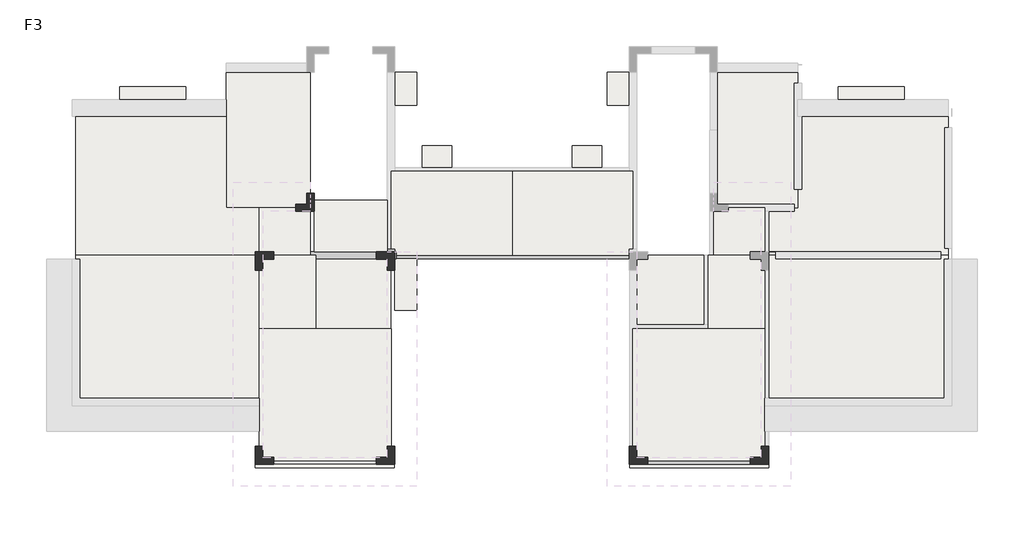
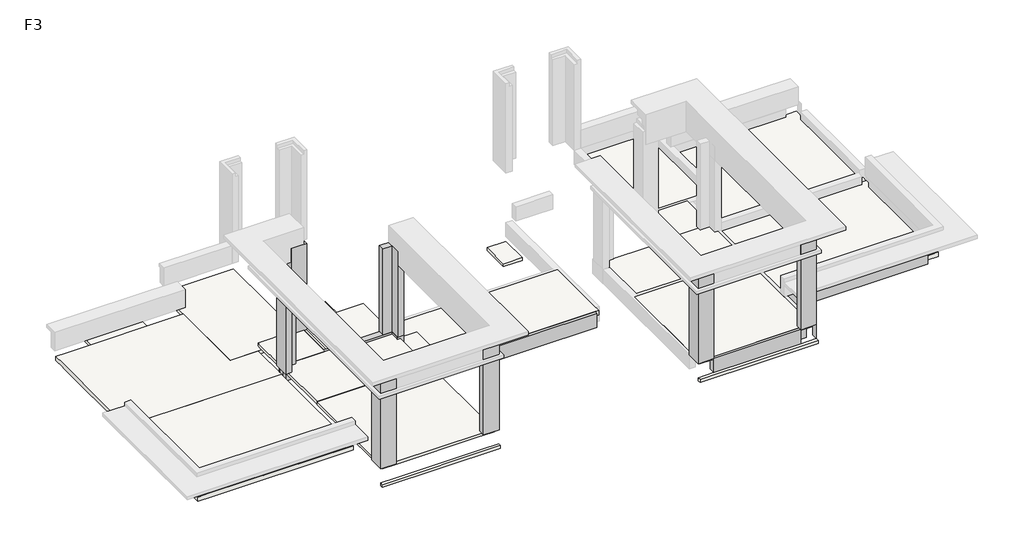
# One storey, part 1 of 2: 23 slabs, 7 columns, 5 beams.
"""IFC4 building model written with IfcOpenShell, lengths in millimetres."""

from ifc_helpers import new_model, si_unit, frame, origin, place, context, project, spatial, polyline, outline, extrude, faceted_brep, element, save

model = new_model("IFC4")

# Units and contexts
model_context = context("Model", 3, world=origin())
ifc_project = project(units=[si_unit("LENGTHUNIT", "METRE", prefix="MILLI")], contexts=[model_context])

# Site, building, storey
site = spatial("IfcSite", under=ifc_project)
building = spatial("IfcBuilding", under=site)
storey = spatial("IfcBuildingStorey", under=building, Name="F3", Elevation=7060.0)

# Beams
placement = place(None, origin())
element("IfcBeam", 1, at=placement, inside=storey, context=model_context, shape_type="Brep", body=[
    faceted_brep([(-7368.0210684, 3558.752785, 7060.0), (-7568.0210684, 3558.752785, 7060.0), (-7568.0210684, 3558.752785, 6980.0), (-7476.6079888, 3558.752785, 6980.0), (-7476.6079888, 3558.752785, 6880.0), (-7568.0210684, 3558.752785, 6880.0), (-7568.0210684, 3558.752785, 6580.0), (-7368.0210684, 3558.752785, 6580.0), (-7368.0210684, 3858.7452581, 7060.0), (-7568.0210684, 3858.7452581, 7060.0), (-7568.0210684, 3851.1929483, 7060.0), (-7568.0210684, 3858.7452581, 6980.0), (-7568.0210684, 3858.7452581, 6580.0), (-7368.0210684, 3858.7452581, 6580.0), (-7368.0210684, 3858.7452581, 6680.0), (-7368.0210684, 3858.7452581, 6780.0), (-7476.6079888, 3858.7452581, 6880.0), (-7568.0210684, 3858.7452581, 6880.0), (-7476.6079888, 3858.7452581, 6980.0)], [[[0, 1, 2, 3, 4, 5, 6, 7]], [[1, 0, 8, 9, 10]], [[2, 1, 10, 9, 11]], [[7, 6, 12, 13]], [[0, 7, 13, 14, 15, 8]], [[5, 4, 16, 17]], [[3, 2, 11, 18]], [[4, 3, 18, 16]], [[9, 8, 15, 14, 13, 12, 17, 16, 18, 11]], [[6, 5, 17, 12]]]),
    faceted_brep([(-7368.0210684, 4118.752785, 7060.0), (-7368.0210684, 4118.752785, 6580.0), (-7568.0210684, 4118.752785, 6580.0), (-7568.0210684, 4118.752785, 7060.0), (-7368.0210684, 4058.7452581, 7060.0), (-7568.0210684, 4058.7452581, 7060.0), (-7568.0210684, 4058.7452581, 6580.0), (-7368.0210684, 4058.7452581, 6580.0)], [[[0, 1, 2, 3]], [[4, 5, 6, 7]], [[0, 3, 5, 4]], [[3, 2, 6, 5]], [[2, 1, 7, 6]], [[1, 0, 4, 7]]]),
])
element("IfcBeam", 2, ObjectType="KL3 200 x 480 mm", at=placement, inside=storey, context=model_context, shape_type="Brep", body=[
    faceted_brep([(-7332.1847994, 4058.7452581, 7060.0), (-7332.1847994, 3858.7452581, 7060.0), (-7332.1847994, 3858.7452581, 6580.0), (-7332.1847994, 4058.7452581, 6580.0), (-7368.0210684, 4058.7452581, 7060.0), (-7568.0210684, 4058.7452581, 7060.0), (-11072.1847994, 4058.7452581, 7060.0), (-11072.1847994, 4051.1929485, 7060.0), (-10967.9488808, 4051.1929485, 7060.0), (-10967.9488808, 3858.7452581, 7060.0), (-7568.0210684, 3858.7452581, 7060.0), (-7368.0210684, 3858.7452581, 7060.0), (-10967.9488808, 3858.7452581, 6580.0), (-7568.0210684, 3858.7452581, 6580.0), (-7368.0210684, 3858.7452581, 6580.0), (-10967.9488808, 4051.1929485, 6580.0), (-11072.1847994, 4051.1929485, 6580.0), (-11072.1847994, 4058.7452581, 6580.0), (-7568.0210684, 4058.7452581, 6580.0), (-7368.0210684, 4058.7452581, 6580.0)], [[[0, 1, 2, 3]], [[1, 0, 4, 5, 6, 7, 8, 9, 10, 11]], [[2, 1, 11, 10, 9, 12, 13, 14]], [[3, 2, 14, 13, 12, 15, 16, 17, 18, 19]], [[0, 3, 19, 18, 17, 6, 5, 4]], [[6, 17, 16, 7]], [[15, 8, 7, 16]], [[8, 15, 12, 9]]]),
])
element("IfcBeam", 3, ObjectType="KL3 200 x 480 mm", at=placement, inside=storey, context=model_context, shape_type="Brep", body=[
    faceted_brep([(-980.685891, 3858.7452581, 5380.0), (-980.685891, 3858.7452581, 4900.0), (-980.685891, 4058.7452581, 4900.0), (-980.685891, 4058.7452581, 5230.0), (-980.685891, 3951.187898, 5230.0), (-980.685891, 3951.187898, 5380.0), (-7355.2118706, 4058.7452581, 4900.0), (-7355.2118706, 3858.7452581, 4900.0), (-7355.2118706, 3858.7452581, 5380.0), (-7355.2118706, 3951.187898, 5380.0), (-7355.2118706, 3951.187898, 5230.0), (-7355.2118706, 4058.7452581, 5230.0), (-4162.9479291, 3951.187898, 5380.0), (-4172.9498324, 3951.187898, 5380.0), (-4172.9498324, 3951.187898, 5230.0), (-4162.9479291, 3951.187898, 5230.0)], [[[0, 1, 2, 3, 4, 5]], [[6, 7, 8, 9, 10, 11]], [[8, 0, 5, 12, 13, 9]], [[1, 0, 8, 7]], [[2, 1, 7, 6]], [[2, 6, 11, 3]], [[11, 10, 14, 15, 4, 3]], [[4, 15, 14, 10, 9, 13, 12, 5]]]),
])
element("IfcBeam", 4, ObjectType="KL4 200 x 480 mm", at=placement, inside=storey, context=model_context, shape_type="Brep", body=[
    faceted_brep([(-459.2899804, -1648.0607162, 7060.0), (-459.2899804, -1741.2496913, 7060.0), (2332.0511192, -1741.2496913, 7060.0), (2332.0511192, -1648.0607162, 7060.0), (-459.2899804, -1741.2496913, 6580.0), (2332.0511192, -1741.2496913, 6580.0), (-459.2899804, -1541.2496913, 6580.0), (2632.0511192, -1541.2496913, 6580.0), (2632.0511192, -1548.8070515, 6580.0), (2332.0511192, -1548.8070515, 6580.0), (-459.2899804, -1541.2496913, 6960.0), (2632.0511192, -1541.2496913, 6960.0), (-459.2899804, -1648.0607162, 6960.0), (2332.0511192, -1648.0607162, 6960.0), (2332.0511192, -1548.8070515, 6960.0), (2632.0511192, -1548.8070515, 6960.0)], [[[0, 1, 2, 3]], [[1, 4, 5, 2]], [[4, 6, 7, 8, 9, 5]], [[6, 10, 11, 7]], [[10, 12, 13, 14, 15, 11]], [[12, 0, 3, 13]], [[6, 4, 1, 0, 12, 10]], [[15, 8, 7, 11]], [[8, 15, 14, 9]], [[9, 14, 13, 3, 2, 5]]]),
    faceted_brep([(2836.2870379, -1541.2496913, 7060.0), (2836.2870379, -1741.2496913, 7060.0), (2836.2870379, -1741.2496913, 6580.0), (2836.2870379, -1541.2496913, 6580.0), (2832.0511192, -1741.2496913, 7060.0), (2832.0511192, -1541.2496913, 7060.0), (2832.0511192, -1541.2496913, 6580.0), (2832.0511192, -1741.2496913, 6580.0)], [[[0, 1, 2, 3]], [[4, 5, 6, 7]], [[1, 0, 5, 4]], [[2, 1, 4, 7]], [[3, 2, 7, 6]], [[0, 3, 6, 5]]]),
])
element("IfcBeam", 5, ObjectType="WKL6 200 x 480 mm", at=placement, inside=storey, context=model_context, shape_type="SweptSolid", body=[
    extrude(outline(polyline([(-148.812102, 7060.0), (51.187898, 7060.0), (51.187898, 6780.0), (-48.812102, 6780.0), (-48.812102, 6640.0), (51.187898, 6640.0), (51.187898, 6580.0), (-148.812102, 6580.0), (-148.812102, 7060.0)])), frame((2836.2870379, 0.0, 0.0), z_axis=(1.0, 0.0, 0.0), x_axis=(0.0, 1.0, 0.0)), (0.0, 0.0, 1.0), 4495.7640813),
])

# Columns
element("IfcColumn", 6, ObjectType="KZ-4", at=placement, inside=storey, context=model_context, shape_type="Brep", body=[
    faceted_brep([(-7368.0210684, 3551.1929483, 7060.0), (-7568.0210684, 3551.1929483, 7060.0), (-7568.0210684, 3558.752785, 7060.0), (-7568.0210684, 3851.1929483, 7060.0), (-7868.0210684, 3851.1929483, 7060.0), (-7868.0210684, 4051.1929483, 7060.0), (-7368.0210684, 4051.1929483, 7060.0), (-7368.0210684, 3858.7452581, 7060.0), (-7368.0210684, 3558.752785, 7060.0), (-7368.0210684, 3551.1929483, 10100.0), (-7467.9488808, 3551.1929483, 10100.0), (-7467.9488808, 3551.1929483, 9980.0), (-7568.0210684, 3551.1929483, 9980.0), (-7568.0210684, 3851.1929483, 9980.0), (-7868.0210684, 3851.1929483, 9980.0), (-7868.0210684, 4051.1929483, 9980.0), (-7468.0210684, 4051.1929483, 9980.0), (-7468.0210684, 4051.1929483, 10100.0), (-7368.0210684, 4051.1929483, 10100.0), (-7468.0066302, 3951.1878896, 10100.0), (-7468.0066302, 3951.1878896, 9980.0)], [[[0, 1, 2, 3, 4, 5, 6, 7, 8]], [[1, 0, 9, 10, 11, 12]], [[3, 2, 1, 12, 13]], [[4, 3, 13, 14]], [[5, 4, 14, 15]], [[6, 5, 15, 16, 17, 18]], [[0, 8, 7, 6, 18, 9]], [[9, 18, 17, 19, 10]], [[16, 15, 14, 13, 12, 11, 20]], [[16, 20, 11, 10, 19, 17]]]),
])
element("IfcColumn", 7, ObjectType="KZ-4", at=placement, inside=storey, context=model_context, shape_type="Brep", body=[
    faceted_brep([(-7867.9488808, -1748.812102, 7060.0), (-7867.9488808, -1548.812102, 7060.0), (-7567.9488808, -1548.812102, 7060.0), (-7567.9488808, -1248.812102, 7060.0), (-7367.9488808, -1248.812102, 7060.0), (-7367.9488808, -1748.812102, 7060.0), (-7867.9488808, -1748.812102, 10100.0), (-7867.9488808, -1648.812102, 10100.0), (-7867.9488808, -1648.812102, 9980.0), (-7867.9488808, -1548.812102, 9980.0), (-7567.9488808, -1548.812102, 9980.0), (-7567.9488808, -1248.812102, 9980.0), (-7467.9488808, -1248.812102, 9980.0), (-7467.9488808, -1248.812102, 10100.0), (-7367.9488808, -1248.812102, 10100.0), (-7367.9488808, -1748.812102, 10100.0), (-7467.9488808, -1648.812102, 10100.0), (-7467.9488808, -1648.812102, 9980.0)], [[[0, 1, 2, 3, 4, 5]], [[1, 0, 6, 7, 8, 9]], [[2, 1, 9, 10]], [[3, 2, 10, 11]], [[4, 3, 11, 12, 13, 14]], [[5, 4, 14, 15]], [[0, 5, 15, 6]], [[15, 14, 13, 16, 7, 6]], [[8, 17, 12, 11, 10, 9]], [[16, 17, 8, 7]], [[17, 16, 13, 12]]]),
])
element("IfcColumn", 8, ObjectType="KZ-4", at=placement, inside=storey, context=model_context, shape_type="Brep", body=[
    faceted_brep([(-10067.9488808, 5151.187898, 7060.0), (-10067.9488808, 5351.187898, 7060.0), (-9767.9488808, 5351.187898, 7060.0), (-9767.9488808, 5651.187898, 7060.0), (-9567.9488808, 5651.187898, 7060.0), (-9567.9488808, 5151.187898, 7060.0), (-10067.9488808, 5151.187898, 9980.0), (-10067.9488808, 5251.187898, 9980.0), (-10067.9488808, 5251.187898, 10100.0), (-10067.9488808, 5351.187898, 10100.0), (-9767.9488808, 5351.187898, 10100.0), (-9767.9488808, 5651.187898, 10100.0), (-9767.9488808, 5651.187898, 9620.0), (-9667.9488808, 5651.187898, 10100.0), (-9667.9488808, 5651.187898, 9980.0), (-9567.9488808, 5651.187898, 9980.0), (-9567.9488808, 5651.187898, 9620.0), (-9567.9488808, 5151.187898, 9980.0), (-9567.9488808, 5151.187898, 9620.0), (-9767.9488808, 5151.187898, 9980.0), (-9667.9488808, 5251.187898, 10100.0), (-9667.9488808, 5251.187898, 9980.0)], [[[0, 1, 2, 3, 4, 5]], [[1, 0, 6, 7, 8, 9]], [[2, 1, 9, 10]], [[3, 2, 10, 11, 12]], [[4, 3, 12, 11, 13, 14, 15, 16]], [[5, 4, 16, 15, 17, 18]], [[0, 5, 18, 17, 19, 6]], [[10, 9, 8, 20, 13, 11]], [[14, 21, 7, 6, 19, 17, 15]], [[20, 21, 14, 13]], [[21, 20, 8, 7]]]),
])
element("IfcColumn", 9, ObjectType="KZ-4", at=placement, inside=storey, context=model_context, shape_type="Brep", body=[
    faceted_brep([(-10667.9488808, 4050.8675969, 7060.0), (-10667.9488808, 3850.8675969, 7060.0), (-10967.9488808, 3850.8675969, 7060.0), (-10967.9488808, 3550.8675969, 7060.0), (-11167.9488808, 3550.8675969, 7060.0), (-11167.9488808, 4050.8675969, 7060.0), (-10667.9488808, 4050.8675969, 9980.0), (-10667.9488808, 3850.8675969, 9980.0), (-10967.9488808, 3850.8675969, 9980.0), (-10967.9488808, 3550.8675969, 9980.0), (-11067.9488808, 3550.8675969, 9980.0), (-11067.9488808, 3550.8675969, 10100.0), (-11167.9488808, 3550.8675969, 10100.0), (-11167.9488808, 4050.8675969, 10100.0), (-11067.9488808, 4050.8675969, 10100.0), (-11067.9488808, 4050.8675969, 9980.0), (-11067.9488808, 3951.187898, 10100.0), (-11067.9488808, 3951.187898, 9980.0)], [[[0, 1, 2, 3, 4, 5]], [[1, 0, 6, 7]], [[2, 1, 7, 8]], [[3, 2, 8, 9]], [[4, 3, 9, 10, 11, 12]], [[5, 4, 12, 13]], [[0, 5, 13, 14, 15, 6]], [[13, 12, 11, 16, 14]], [[10, 9, 8, 7, 6, 15, 17]], [[10, 17, 15, 14, 16, 11]]]),
])
element("IfcColumn", 10, ObjectType="KZ-4", at=placement, inside=storey, context=model_context, shape_type="Brep", body=[
    faceted_brep([(-11167.9488808, -1248.8070515, 7060.0), (-10967.9488808, -1248.8070515, 7060.0), (-10967.9488808, -1548.8070515, 7060.0), (-10667.9488808, -1548.8070515, 7060.0), (-10667.9488808, -1748.8070515, 7060.0), (-11167.9488808, -1748.8070515, 7060.0), (-11167.9488808, -1248.8070515, 10100.0), (-11067.9488808, -1248.8070515, 10100.0), (-11067.9488808, -1248.8070515, 9980.0), (-10967.9488808, -1248.8070515, 9980.0), (-10967.9488808, -1548.8070515, 9980.0), (-10667.9488808, -1548.8070515, 9980.0), (-10667.9488808, -1648.812102, 9980.0), (-10667.9488808, -1648.812102, 10100.0), (-10667.9488808, -1748.8070515, 10100.0), (-11167.9488808, -1748.8070515, 10100.0), (-11067.9488808, -1648.812102, 10100.0), (-11067.9488808, -1648.812102, 9980.0)], [[[0, 1, 2, 3, 4, 5]], [[1, 0, 6, 7, 8, 9]], [[2, 1, 9, 10]], [[3, 2, 10, 11]], [[4, 3, 11, 12, 13, 14]], [[5, 4, 14, 15]], [[0, 5, 15, 6]], [[15, 14, 13, 16, 7, 6]], [[8, 17, 12, 11, 10, 9]], [[16, 17, 8, 7]], [[17, 16, 13, 12]]]),
])
element("IfcColumn", 11, ObjectType="KZ-4", at=placement, inside=storey, context=model_context, shape_type="Brep", body=[
    faceted_brep([(-467.9488808, -1548.812102, 7060.0), (-467.9488808, -1748.812102, 7060.0), (-967.9488808, -1748.812102, 7060.0), (-967.9488808, -1248.812102, 7060.0), (-767.9488808, -1248.812102, 7060.0), (-767.9488808, -1548.812102, 7060.0), (-467.9488808, -1548.812102, 9980.0), (-467.9488808, -1648.812102, 9980.0), (-467.9488808, -1648.812102, 10100.0), (-467.9488808, -1748.812102, 10100.0), (-767.9488808, -1548.812102, 9980.0), (-767.9488808, -1248.812102, 9980.0), (-967.9488808, -1248.812102, 10100.0), (-867.9488808, -1248.812102, 10100.0), (-867.9488808, -1248.812102, 9980.0), (-967.9488808, -1748.812102, 10100.0), (-867.9488808, -1648.812102, 10100.0), (-867.9488808, -1648.812102, 9980.0)], [[[0, 1, 2, 3, 4, 5]], [[1, 0, 6, 7, 8, 9]], [[0, 5, 10, 6]], [[5, 4, 11, 10]], [[4, 3, 12, 13, 14, 11]], [[3, 2, 15, 12]], [[2, 1, 9, 15]], [[12, 15, 9, 8, 16, 13]], [[14, 17, 7, 6, 10, 11]], [[17, 16, 8, 7]], [[16, 17, 14, 13]]]),
])
element("IfcColumn", 12, ObjectType="KZ-4", at=placement, inside=storey, context=model_context, shape_type="Brep", body=[
    faceted_brep([(2632.0511192, -1248.8070515, 7060.0), (2832.0511192, -1248.8070515, 7060.0), (2832.0511192, -1748.8070515, 7060.0), (2332.0511192, -1748.8070515, 7060.0), (2332.0511192, -1548.8070515, 7060.0), (2632.0511192, -1548.8070515, 7060.0), (2632.0511192, -1248.8070515, 9980.0), (2732.0511192, -1248.8070515, 9980.0), (2732.0511192, -1248.8070515, 10100.0), (2832.0511192, -1248.8070515, 10100.0), (2632.0511192, -1548.8070515, 9980.0), (2332.0511192, -1548.8070515, 9980.0), (2332.0511192, -1748.8070515, 10100.0), (2332.0511192, -1648.812102, 10100.0), (2332.0511192, -1648.812102, 9980.0), (2832.0511192, -1748.8070515, 10100.0), (2732.0511192, -1648.812102, 10100.0), (2732.0511192, -1648.812102, 9980.0)], [[[0, 1, 2, 3, 4, 5]], [[1, 0, 6, 7, 8, 9]], [[0, 5, 10, 6]], [[5, 4, 11, 10]], [[4, 3, 12, 13, 14, 11]], [[3, 2, 15, 12]], [[2, 1, 9, 15]], [[12, 15, 9, 8, 16, 13]], [[14, 17, 7, 6, 10, 11]], [[17, 16, 8, 7]], [[16, 17, 14, 13]]]),
])

# Slabs
element("IfcSlab", 13, ObjectType="B-100", at=placement, inside=storey, context=model_context, shape_type="SweptSolid", body=[
    extrude(outline(polyline([(-7368.0210684, 2451.1403074), (-7368.0210684, 3858.7452581), (-6767.9168155, 3858.7452581), (-6767.9168155, 2451.1403074), (-7368.0210684, 2451.1403074)])), frame((0.0, 0.0, 6680.0), z_axis=(0.0, 0.0, 1.0), x_axis=(1.0, 0.0, 0.0)), (0.0, 0.0, 1.0), 100.0),
])
element("IfcSlab", 14, ObjectType="B-100", at=placement, inside=storey, context=model_context, shape_type="Brep", body=[
    faceted_brep([(-7376.6077811, -1741.2496913, 6480.0), (-7376.6077811, -1748.812102, 6480.0), (-7376.6077811, -1841.2496913, 6480.0), (-11172.1847994, -1841.2496913, 6480.0), (-11172.1847994, -1741.2496913, 6480.0), (-11167.9488808, -1741.2496913, 6480.0), (-10667.9488808, -1741.2496913, 6480.0), (-7867.9488808, -1741.2496913, 6480.0), (-7376.6077811, -1741.2496913, 6580.0), (-7867.9488808, -1741.2496913, 6580.0), (-10667.9488808, -1741.2496913, 6580.0), (-11167.9488808, -1741.2496913, 6580.0), (-11172.1847994, -1741.2496913, 6580.0), (-11172.1847994, -1841.2496913, 6580.0), (-7376.6077811, -1841.2496913, 6580.0), (-7376.6077811, -1748.812102, 6580.0)], [[[0, 1, 2, 3, 4, 5, 6, 7]], [[8, 9, 10, 11, 12, 13, 14, 15]], [[2, 1, 0, 8, 15, 14]], [[3, 2, 14, 13]], [[4, 3, 13, 12]], [[0, 7, 6, 5, 4, 12, 11, 10, 9, 8]]]),
])
element("IfcSlab", 15, ObjectType="B-100", at=placement, inside=storey, context=model_context, shape_type="SweptSolid", body=[
    extrude(outline(polyline([(-13068.789805, 8551.1879302), (-13068.789805, 7951.1927566), (-14868.7898049, 7951.1927566), (-14868.7898049, 8551.1879302), (-13068.789805, 8551.1879302)])), frame((0.0, 0.0, 6580.0), z_axis=(0.0, 0.0, 1.0), x_axis=(1.0, 0.0, 0.0)), (0.0, 0.0, 1.0), 100.0),
])
element("IfcSlab", 16, ObjectType="B-100", at=placement, inside=storey, context=model_context, shape_type="Brep", body=[
    faceted_brep([(-7476.6079888, 3951.187898, 6880.0), (-7476.6079888, 3858.7452581, 6880.0), (-7476.6079888, 3558.752785, 6880.0), (-7476.6079888, 3538.4929483, 6880.0), (-7476.6079888, 1962.0882008, 6880.0), (-7576.6079888, 1962.0882008, 6880.0), (-9517.9507841, 1962.0882008, 6880.0), (-9517.9507841, 2062.0882008, 6880.0), (-9517.9507841, 3858.7452581, 6880.0), (-9517.9507841, 3951.187898, 6880.0), (-7476.6079888, 3951.187898, 6980.0), (-9517.9507841, 3951.187898, 6980.0), (-9517.9507841, 3858.7452581, 6980.0), (-9517.9507841, 2062.0882008, 6980.0), (-9517.9507841, 1962.0882008, 6980.0), (-7576.6079888, 1962.0882008, 6980.0), (-7476.6079888, 1962.0882008, 6980.0), (-7476.6079888, 3538.4929483, 6980.0), (-7476.6079888, 3558.752785, 6980.0), (-7476.6079888, 3858.7452581, 6980.0), (-9517.9507841, 1962.0882008, 6960.0)], [[[0, 1, 2, 3, 4, 5, 6, 7, 8, 9]], [[10, 11, 12, 13, 14, 15, 16, 17, 18, 19]], [[4, 3, 2, 1, 0, 10, 19, 18, 17, 16]], [[6, 5, 4, 16, 15, 14, 20]], [[9, 8, 7, 6, 20, 14, 13, 12, 11]], [[0, 9, 11, 10]]]),
])
element("IfcSlab", 17, ObjectType="B-100", at=placement, inside=storey, context=model_context, shape_type="Brep", body=[
    faceted_brep([(-9667.948881, 5258.7503099, 6960.0), (-9667.948881, 5151.187898, 6960.0), (-9667.948881, 4058.7452581, 6960.0), (-9667.948881, 3958.7452581, 6960.0), (-11067.9863851, 3958.7452581, 6960.0), (-11067.9863851, 4051.1929485, 6960.0), (-11067.9863851, 5151.1978071, 6960.0), (-11067.9863851, 5258.7503099, 6960.0), (-10067.9488808, 5258.7503099, 6960.0), (-9667.948881, 5258.7503099, 7060.0), (-10067.9488808, 5258.7503099, 7060.0), (-11067.9863851, 5258.7503099, 7060.0), (-11067.9863851, 5151.1978071, 7060.0), (-11067.9863851, 4051.1929485, 7060.0), (-11067.9863851, 3958.7452581, 7060.0), (-9667.948881, 3958.7452581, 7060.0), (-9667.948881, 4058.7452581, 7060.0), (-9667.948881, 5151.187898, 7060.0)], [[[0, 1, 2, 3, 4, 5, 6, 7, 8]], [[9, 10, 11, 12, 13, 14, 15, 16, 17]], [[3, 2, 1, 0, 9, 17, 16, 15]], [[4, 3, 15, 14]], [[7, 6, 5, 4, 14, 13, 12, 11]], [[0, 8, 7, 11, 10, 9]]]),
])
element("IfcSlab", 18, ObjectType="B-100", at=placement, inside=storey, context=model_context, shape_type="Brep", body=[
    faceted_brep([(-9517.9507841, 3958.7452581, 6960.0), (-9517.9507841, 3858.7452581, 6960.0), (-9517.9507841, 2062.0882008, 6960.0), (-9517.9507841, 1962.0882008, 6960.0), (-10972.1847994, 1962.0882008, 6960.0), (-11067.9863851, 1962.0882008, 6960.0), (-11067.9863851, 3651.1929485, 6960.0), (-11067.9863851, 3958.7452581, 6960.0), (-9517.9507841, 3958.7452581, 7060.0), (-11067.9863851, 3958.7452581, 7060.0), (-11067.9863851, 3651.1929485, 7060.0), (-11067.9863851, 1962.0882008, 7060.0), (-10972.1847994, 1962.0882008, 7060.0), (-9517.9507841, 1962.0882008, 7060.0), (-9517.9507841, 2062.0882008, 7060.0), (-9517.9507841, 3858.7452581, 7060.0), (-9517.9507841, 1962.0882008, 6980.0)], [[[0, 1, 2, 3, 4, 5, 6, 7]], [[8, 9, 10, 11, 12, 13, 14, 15]], [[3, 2, 1, 0, 8, 15, 14, 13, 16]], [[5, 4, 3, 16, 13, 12, 11]], [[7, 6, 5, 11, 10, 9]], [[0, 7, 9, 8]]]),
])
element("IfcSlab", 19, ObjectType="B-100", at=placement, inside=storey, context=model_context, shape_type="Brep", body=[
    faceted_brep([(-7468.0210684, 1954.966578, 6960.0), (-7468.0210684, -1241.2496913, 6960.0), (-7468.0210684, -1248.812102, 6960.0), (-7468.0210684, -1648.0607162, 6960.0), (-7867.9488808, -1648.0607162, 6960.0), (-7876.6077811, -1648.0607162, 6960.0), (-10667.9488808, -1648.0607162, 6960.0), (-11068.0854822, -1648.0607162, 6960.0), (-11068.0854822, -1248.8070515, 6960.0), (-11068.0854822, -1236.1070515, 6960.0), (-11068.0854822, 1954.966578, 6960.0), (-10972.1847994, 1954.966578, 6960.0), (-7576.6079888, 1954.966578, 6960.0), (-7468.0210684, 1954.966578, 7060.0), (-7576.6079888, 1954.966578, 7060.0), (-10972.1847994, 1954.966578, 7060.0), (-11068.0854822, 1954.966578, 7060.0), (-11068.0854822, -1236.1070515, 7060.0), (-11068.0854822, -1248.8070515, 7060.0), (-11068.0854822, -1648.0607162, 7060.0), (-10667.9488808, -1648.0607162, 7060.0), (-7876.6077811, -1648.0607162, 7060.0), (-7867.9488808, -1648.0607162, 7060.0), (-7468.0210684, -1648.0607162, 7060.0), (-7468.0210684, -1248.812102, 7060.0), (-7468.0210684, -1241.2496913, 7060.0)], [[[0, 1, 2, 3, 4, 5, 6, 7, 8, 9, 10, 11, 12]], [[13, 14, 15, 16, 17, 18, 19, 20, 21, 22, 23, 24, 25]], [[3, 2, 1, 0, 13, 25, 24, 23]], [[7, 6, 5, 4, 3, 23, 22, 21, 20, 19]], [[10, 9, 8, 7, 19, 18, 17, 16]], [[0, 12, 11, 10, 16, 15, 14, 13]]]),
])
element("IfcSlab", 20, ObjectType="B-100", at=placement, inside=storey, context=model_context, shape_type="Brep", body=[
    faceted_brep([(-959.2899804, -1741.2496913, 6480.0), (-467.9488808, -1741.2496913, 6480.0), (2332.0511192, -1741.2496913, 6480.0), (2832.0511192, -1741.2496913, 6480.0), (2836.2870379, -1741.2496913, 6480.0), (2836.2870379, -1841.2496913, 6480.0), (-959.2899804, -1841.2496913, 6480.0), (-959.2899804, -1748.812102, 6480.0), (-959.2899804, -1741.2496913, 6580.0), (-959.2899804, -1748.812102, 6580.0), (-959.2899804, -1841.2496913, 6580.0), (2836.2870379, -1841.2496913, 6580.0), (2836.2870379, -1741.2496913, 6580.0), (2832.0511192, -1741.2496913, 6580.0), (2332.0511192, -1741.2496913, 6580.0), (-467.9488808, -1741.2496913, 6580.0)], [[[0, 1, 2, 3, 4, 5, 6, 7]], [[8, 9, 10, 11, 12, 13, 14, 15]], [[0, 7, 6, 10, 9, 8]], [[6, 5, 11, 10]], [[5, 4, 12, 11]], [[4, 3, 2, 1, 0, 8, 15, 14, 13, 12]]]),
])
element("IfcSlab", 21, ObjectType="B-100", at=placement, inside=storey, context=model_context, shape_type="SweptSolid", body=[
    extrude(outline(polyline([(4732.8920434, 8551.1879302), (6532.8920433, 8551.1879302), (6532.8920433, 7951.1927566), (4732.8920434, 7951.1927566), (4732.8920434, 8551.1879302)])), frame((0.0, 0.0, 6580.0), z_axis=(0.0, 0.0, 1.0), x_axis=(1.0, 0.0, 0.0)), (0.0, 0.0, 1.0), 100.0),
])
element("IfcSlab", 22, ObjectType="B-100", at=placement, inside=storey, context=model_context, shape_type="Brep", body=[
    faceted_brep([(-859.2897728, 3951.187898, 6880.0), (-767.8766931, 3951.187898, 6880.0), (1082.0530225, 3951.187898, 6880.0), (1182.0530225, 3951.187898, 6880.0), (1182.0530225, 2062.0882008, 6880.0), (1182.0530225, 1962.0882008, 6880.0), (-759.2897728, 1962.0882008, 6880.0), (-859.2897728, 1962.0882008, 6880.0), (-859.2897728, 3538.4929483, 6880.0), (-859.2897728, 3558.752785, 6880.0), (-859.2897728, 3951.187898, 6980.0), (-859.2897728, 3558.752785, 6980.0), (-859.2897728, 3538.4929483, 6980.0), (-859.2897728, 1962.0882008, 6980.0), (-759.2897728, 1962.0882008, 6980.0), (1182.0530225, 1962.0882008, 6980.0), (1182.0530225, 2062.0882008, 6980.0), (1182.0530225, 3951.187898, 6980.0), (1082.0530225, 3951.187898, 6980.0), (-767.8766931, 3951.187898, 6980.0), (1182.0530225, 1962.0882008, 6960.0), (1182.0530225, 3951.187898, 6960.0)], [[[0, 1, 2, 3, 4, 5, 6, 7, 8, 9]], [[10, 11, 12, 13, 14, 15, 16, 17, 18, 19]], [[0, 9, 8, 7, 13, 12, 11, 10]], [[7, 6, 5, 20, 15, 14, 13]], [[5, 4, 3, 21, 17, 16, 15, 20]], [[3, 2, 1, 0, 10, 19, 18, 17, 21]]]),
])
element("IfcSlab", 23, ObjectType="B-100", at=placement, inside=storey, context=model_context, shape_type="Brep", body=[
    faceted_brep([(1332.0511194, 5258.7503099, 6960.0), (1732.0511192, 5258.7503099, 6960.0), (2732.0886236, 5258.7503099, 6960.0), (2732.0886236, 5151.1978071, 6960.0), (2732.0886236, 4051.1929485, 6960.0), (2732.0886236, 3958.7452581, 6960.0), (1436.1661028, 3958.7452581, 6960.0), (1432.0511194, 3958.7452581, 6960.0), (1332.0511194, 3958.7452581, 6960.0), (1332.0511194, 5151.187898, 6960.0), (1332.0511194, 5258.7503099, 7060.0), (1332.0511194, 5151.187898, 7060.0), (1332.0511194, 3958.7452581, 7060.0), (2732.0886236, 3958.7452581, 7060.0), (2732.0886236, 4051.1929485, 7060.0), (2732.0886236, 5151.1978071, 7060.0), (2732.0886236, 5258.7503099, 7060.0), (1732.0511192, 5258.7503099, 7060.0)], [[[0, 1, 2, 3, 4, 5, 6, 7, 8, 9]], [[10, 11, 12, 13, 14, 15, 16, 17]], [[0, 9, 8, 12, 11, 10]], [[8, 7, 6, 5, 13, 12]], [[5, 4, 3, 2, 16, 15, 14, 13]], [[2, 1, 0, 10, 17, 16]]]),
])
element("IfcSlab", 24, ObjectType="B-100", at=placement, inside=storey, context=model_context, shape_type="Brep", body=[
    faceted_brep([(1182.0530225, 3958.7452581, 6960.0), (1282.0530225, 3958.7452581, 6960.0), (2732.0886236, 3958.7452581, 6960.0), (2732.0886236, 3651.1929485, 6960.0), (2732.0886236, 1962.0882008, 6960.0), (2636.2870379, 1962.0882008, 6960.0), (1182.0530225, 1962.0882008, 6960.0), (1182.0530225, 2062.0882008, 6960.0), (1182.0530225, 3951.187898, 6960.0), (1182.0530225, 3958.7452581, 7060.0), (1182.0530225, 2062.0882008, 7060.0), (1182.0530225, 1962.0882008, 7060.0), (2636.2870379, 1962.0882008, 7060.0), (2732.0886236, 1962.0882008, 7060.0), (2732.0886236, 3651.1929485, 7060.0), (2732.0886236, 3958.7452581, 7060.0), (1332.0511194, 3958.7452581, 7060.0), (1232.0511194, 3958.7452581, 7060.0), (1182.0530225, 1962.0882008, 6980.0)], [[[0, 1, 2, 3, 4, 5, 6, 7, 8]], [[9, 10, 11, 12, 13, 14, 15, 16, 17]], [[0, 8, 7, 6, 18, 11, 10, 9]], [[6, 5, 4, 13, 12, 11, 18]], [[4, 3, 2, 15, 14, 13]], [[2, 1, 0, 9, 17, 16, 15]]]),
])
element("IfcSlab", 25, ObjectType="B-100", at=placement, inside=storey, context=model_context, shape_type="Brep", body=[
    faceted_brep([(-867.8766931, 1954.966578, 6960.0), (-759.2897728, 1954.966578, 6960.0), (2636.2870379, 1954.966578, 6960.0), (2732.1877207, 1954.966578, 6960.0), (2732.1877207, -1236.1070515, 6960.0), (2732.1877207, -1248.8070515, 6960.0), (2732.1877207, -1648.0607162, 6960.0), (2332.0511192, -1648.0607162, 6960.0), (-459.2899804, -1648.0607162, 6960.0), (-467.9488808, -1648.0607162, 6960.0), (-867.8766931, -1648.0607162, 6960.0), (-867.8766931, -1248.812102, 6960.0), (-867.8766931, -1241.2496913, 6960.0), (-867.8766931, 1954.966578, 7060.0), (-867.8766931, -1241.2496913, 7060.0), (-867.8766931, -1248.812102, 7060.0), (-867.8766931, -1648.0607162, 7060.0), (-467.9488808, -1648.0607162, 7060.0), (-459.2899804, -1648.0607162, 7060.0), (2332.0511192, -1648.0607162, 7060.0), (2732.1877207, -1648.0607162, 7060.0), (2732.1877207, -1248.8070515, 7060.0), (2732.1877207, -1236.1070515, 7060.0), (2732.1877207, 1954.966578, 7060.0), (2636.2870379, 1954.966578, 7060.0), (-759.2897728, 1954.966578, 7060.0)], [[[0, 1, 2, 3, 4, 5, 6, 7, 8, 9, 10, 11, 12]], [[13, 14, 15, 16, 17, 18, 19, 20, 21, 22, 23, 24, 25]], [[0, 12, 11, 10, 16, 15, 14, 13]], [[10, 9, 8, 7, 6, 20, 19, 18, 17, 16]], [[6, 5, 4, 3, 23, 22, 21, 20]], [[3, 2, 1, 0, 13, 25, 24, 23]]]),
])
element("IfcSlab", 26, ObjectType="B-100", at=placement, inside=storey, context=model_context, shape_type="SweptSolid", body=[
    extrude(outline(polyline([(-9567.948881, 5451.187898), (-7576.6077811, 5451.187898), (-7576.6077811, 4058.7452581), (-9567.948881, 4058.7452581), (-9567.948881, 5451.187898)])), frame((0.0, 0.0, 6960.0), z_axis=(0.0, 0.0, 1.0), x_axis=(1.0, 0.0, 0.0)), (0.0, 0.0, 1.0), 100.0),
])
element("IfcSlab", 27, ObjectType="B-100 2", at=placement, inside=storey, context=model_context, shape_type="SweptSolid", body=[
    extrude(outline(polyline([(-5817.9486731, 6951.1353494), (-5817.9486731, 6351.187898), (-6617.9732022, 6351.187898), (-6617.9732022, 6951.1353494), (-5817.9486731, 6951.1353494)])), frame((0.0, 0.0, 4630.0), z_axis=(0.0, 0.0, 1.0), x_axis=(1.0, 0.0, 0.0)), (0.0, 0.0, 1.0), 100.0),
    extrude(outline(polyline([(-1717.9245594, 6951.1353494), (-1717.9245594, 6351.187898), (-2517.9490884, 6351.187898), (-2517.9490884, 6951.1353494), (-1717.9245594, 6951.1353494)])), frame((0.0, 0.0, 4630.0), z_axis=(0.0, 0.0, 1.0), x_axis=(1.0, 0.0, 0.0)), (0.0, 0.0, 1.0), 100.0),
    extrude(outline(polyline([(-6767.8643019, 8951.187898), (-6767.8643019, 8051.1353589), (-7368.0210684, 8051.1353589), (-7368.0210684, 8951.187898), (-6767.8643019, 8951.187898)])), frame((0.0, 0.0, 4630.0), z_axis=(0.0, 0.0, 1.0), x_axis=(1.0, 0.0, 0.0)), (0.0, 0.0, 1.0), 100.0),
    extrude(outline(polyline([(-967.8647173, 8951.1353589), (-967.8647173, 8051.1353589), (-1567.8647173, 8051.1353589), (-1567.8647173, 8951.1353589), (-967.8647173, 8951.1353589)])), frame((0.0, 0.0, 4630.0), z_axis=(0.0, 0.0, 1.0), x_axis=(1.0, 0.0, 0.0)), (0.0, 0.0, 1.0), 100.0),
])
element("IfcSlab", 28, ObjectType="B-120", at=placement, inside=storey, context=model_context, shape_type="Brep", body=[
    faceted_brep([(-9672.0638644, 9051.1979011, 6660.0), (-9672.0638644, 8951.187898, 6660.0), (-9672.0638644, 7362.0882054, 6660.0), (-9672.0638644, 5651.187898, 6660.0), (-9672.0638644, 5258.7503099, 6660.0), (-10067.9488808, 5258.7503099, 6660.0), (-11067.9488808, 5258.7503099, 6660.0), (-11867.9488808, 5258.7503099, 6660.0), (-11967.9488808, 5258.7503099, 6660.0), (-11967.9488808, 5751.187898, 6660.0), (-11967.9488808, 7851.187898, 6660.0), (-11967.9488808, 8651.1979011, 6660.0), (-11967.9488808, 9051.1979011, 6660.0), (-11567.9488808, 9051.1979011, 6660.0), (-11555.2488808, 9051.1979011, 6660.0), (-9772.0638644, 9051.1979011, 6660.0), (-9767.9488808, 9051.1979011, 6660.0), (-9672.0638644, 9051.1979011, 6780.0), (-9767.9488808, 9051.1979011, 6780.0), (-9772.0638644, 9051.1979011, 6780.0), (-11555.2488808, 9051.1979011, 6780.0), (-11567.9488808, 9051.1979011, 6780.0), (-11967.9488808, 9051.1979011, 6780.0), (-11967.9488808, 8651.1979011, 6780.0), (-11967.9488808, 7851.187898, 6780.0), (-11967.9488808, 5258.7503099, 6780.0), (-11067.9488808, 5258.7503099, 6780.0), (-10067.9488808, 5258.7503099, 6780.0), (-9672.0638644, 5258.7503099, 6780.0), (-9672.0638644, 5651.187898, 6780.0), (-9672.0638644, 7362.0882054, 6780.0), (-9672.0638644, 8951.187898, 6780.0)], [[[0, 1, 2, 3, 4, 5, 6, 7, 8, 9, 10, 11, 12, 13, 14, 15, 16]], [[17, 18, 19, 20, 21, 22, 23, 24, 25, 26, 27, 28, 29, 30, 31]], [[4, 3, 2, 1, 0, 17, 31, 30, 29, 28]], [[8, 7, 6, 5, 4, 28, 27, 26, 25]], [[12, 11, 10, 9, 8, 25, 24, 23, 22]], [[0, 16, 15, 14, 13, 12, 22, 21, 20, 19, 18, 17]]]),
])
element("IfcSlab", 29, ObjectType="B-120", at=placement, inside=storey, context=model_context, shape_type="Brep", body=[
    faceted_brep([(1336.1661028, 9051.1979011, 6660.0), (1431.9067439, 9051.1979011, 6660.0), (1436.1661028, 9051.1979011, 6660.0), (3219.3511192, 9051.1979011, 6660.0), (3232.0511192, 9051.1979011, 6660.0), (3632.0511192, 9051.1979011, 6660.0), (3632.0511192, 8651.1979011, 6660.0), (3632.0511192, 7851.187898, 6660.0), (3632.0511192, 5751.187898, 6660.0), (3632.0511192, 5258.7503099, 6660.0), (3532.0511192, 5258.7503099, 6660.0), (2732.0511192, 5258.7503099, 6660.0), (1732.0511192, 5258.7503099, 6660.0), (1336.1661028, 5258.7503099, 6660.0), (1336.1661028, 5651.187898, 6660.0), (1336.1661028, 7362.0882054, 6660.0), (1336.1661028, 8951.187898, 6660.0), (1336.1661028, 9051.1979011, 6780.0), (1336.1661028, 8951.187898, 6780.0), (1336.1661028, 7362.0882054, 6780.0), (1336.1661028, 5651.187898, 6780.0), (1336.1661028, 5258.7503099, 6780.0), (1732.0511192, 5258.7503099, 6780.0), (2732.0511192, 5258.7503099, 6780.0), (3632.0511192, 5258.7503099, 6780.0), (3632.0511192, 7851.187898, 6780.0), (3632.0511192, 8651.1979011, 6780.0), (3632.0511192, 9051.1979011, 6780.0), (3232.0511192, 9051.1979011, 6780.0), (3219.3511192, 9051.1979011, 6780.0), (1436.1661028, 9051.1979011, 6780.0), (1431.9067439, 9051.1979011, 6780.0)], [[[0, 1, 2, 3, 4, 5, 6, 7, 8, 9, 10, 11, 12, 13, 14, 15, 16]], [[17, 18, 19, 20, 21, 22, 23, 24, 25, 26, 27, 28, 29, 30, 31]], [[0, 16, 15, 14, 13, 21, 20, 19, 18, 17]], [[13, 12, 11, 10, 9, 24, 23, 22, 21]], [[9, 8, 7, 6, 5, 27, 26, 25, 24]], [[5, 4, 3, 2, 1, 0, 17, 31, 30, 29, 28, 27]]]),
])
element("IfcSlab", 30, ObjectType="B-140", at=placement, inside=storey, context=model_context, shape_type="Brep", body=[
    faceted_brep([(-16067.9488808, 7851.187898, 6640.0), (-15667.9082317, 7851.187898, 6640.0), (-12067.9488808, 7851.187898, 6640.0), (-11967.9488808, 7851.187898, 6640.0), (-11967.9488808, 5751.187898, 6640.0), (-11967.9488808, 5258.7503099, 6640.0), (-11867.9488808, 5258.7503099, 6640.0), (-11067.9488808, 5258.7503099, 6640.0), (-11067.9488808, 5151.1978071, 6640.0), (-11067.9488808, 4051.1929485, 6640.0), (-11067.9488808, 3951.187898, 6640.0), (-16067.9488808, 3951.187898, 6640.0), (-16067.9488808, 4151.1929535, 6640.0), (-16067.9488808, 7438.487898, 6640.0), (-16067.9488808, 7451.187898, 6640.0), (-16067.9488808, 7851.187898, 6780.0), (-16067.9488808, 7451.187898, 6780.0), (-16067.9488808, 7438.487898, 6780.0), (-16067.9488808, 4151.1929535, 6780.0), (-16067.9488808, 3951.187898, 6780.0), (-11067.9488808, 3951.187898, 6780.0), (-11067.9488808, 4051.1929485, 6780.0), (-11067.9488808, 5151.1978071, 6780.0), (-11067.9488808, 5258.7503099, 6780.0), (-11967.9488808, 5258.7503099, 6780.0), (-11967.9488808, 7851.187898, 6780.0), (-12067.9488808, 7851.187898, 6780.0), (-15667.9082317, 7851.187898, 6780.0), (-11967.9488808, 7851.187898, 6660.0), (-11967.9488808, 5258.7503099, 6660.0), (-11067.9488808, 5258.7503099, 6660.0)], [[[0, 1, 2, 3, 4, 5, 6, 7, 8, 9, 10, 11, 12, 13, 14]], [[15, 16, 17, 18, 19, 20, 21, 22, 23, 24, 25, 26, 27]], [[3, 2, 1, 0, 15, 27, 26, 25, 28]], [[5, 4, 3, 28, 25, 24, 29]], [[7, 6, 5, 29, 24, 23, 30]], [[10, 9, 8, 7, 30, 23, 22, 21, 20]], [[11, 10, 20, 19]], [[0, 14, 13, 12, 11, 19, 18, 17, 16, 15]]]),
])
element("IfcSlab", 31, ObjectType="B-140", at=placement, inside=storey, context=model_context, shape_type="Brep", body=[
    faceted_brep([(-11068.0854822, 3958.7452581, 6640.0), (-11068.0854822, 3651.1929485, 6640.0), (-11068.0854822, -48.812102, 6640.0), (-11172.1847994, -48.812102, 6640.0), (-15667.9488808, -48.812102, 6640.0), (-16067.9488808, -48.812102, 6640.0), (-16067.9488808, 351.187898, 6640.0), (-16067.9488808, 3651.1929535, 6640.0), (-16067.9488808, 3958.7452581, 6640.0), (-11068.0854822, 3958.7452581, 6780.0), (-16067.9488808, 3958.7452581, 6780.0), (-16067.9488808, 3651.1929535, 6780.0), (-16067.9488808, 351.187898, 6780.0), (-16067.9488808, -48.812102, 6780.0), (-15667.9488808, -48.812102, 6780.0), (-11172.1847994, -48.812102, 6780.0), (-11068.0854822, -48.812102, 6780.0), (-11068.0854822, 3651.1929485, 6780.0)], [[[0, 1, 2, 3, 4, 5, 6, 7, 8]], [[9, 10, 11, 12, 13, 14, 15, 16, 17]], [[2, 1, 0, 9, 17, 16]], [[5, 4, 3, 2, 16, 15, 14, 13]], [[8, 7, 6, 5, 13, 12, 11, 10]], [[0, 8, 10, 9]]]),
])
element("IfcSlab", 32, ObjectType="B-140", at=placement, inside=storey, context=model_context, shape_type="Brep", body=[
    faceted_brep([(7732.0511192, 7851.187898, 6640.0), (7732.0511192, 7451.187898, 6640.0), (7732.0511192, 7438.487898, 6640.0), (7732.0511192, 4151.1929535, 6640.0), (7732.0511192, 3951.187898, 6640.0), (2732.0511192, 3951.187898, 6640.0), (2732.0511192, 4051.1929485, 6640.0), (2732.0511192, 5151.1978071, 6640.0), (2732.0511192, 5258.7503099, 6640.0), (3532.0511192, 5258.7503099, 6640.0), (3632.0511192, 5258.7503099, 6640.0), (3632.0511192, 5751.187898, 6640.0), (3632.0511192, 7851.187898, 6640.0), (3732.0511192, 7851.187898, 6640.0), (7332.0104701, 7851.187898, 6640.0), (7732.0511192, 7851.187898, 6780.0), (7332.0104701, 7851.187898, 6780.0), (3732.0511192, 7851.187898, 6780.0), (3632.0511192, 7851.187898, 6780.0), (3632.0511192, 5258.7503099, 6780.0), (2732.0511192, 5258.7503099, 6780.0), (2732.0511192, 5151.1978071, 6780.0), (2732.0511192, 4051.1929485, 6780.0), (2732.0511192, 3951.187898, 6780.0), (7732.0511192, 3951.187898, 6780.0), (7732.0511192, 4151.1929535, 6780.0), (7732.0511192, 7438.487898, 6780.0), (7732.0511192, 7451.187898, 6780.0), (3632.0511192, 7851.187898, 6660.0), (3632.0511192, 5258.7503099, 6660.0), (2732.0511192, 5258.7503099, 6660.0)], [[[0, 1, 2, 3, 4, 5, 6, 7, 8, 9, 10, 11, 12, 13, 14]], [[15, 16, 17, 18, 19, 20, 21, 22, 23, 24, 25, 26, 27]], [[0, 14, 13, 12, 28, 18, 17, 16, 15]], [[12, 11, 10, 29, 19, 18, 28]], [[10, 9, 8, 30, 20, 19, 29]], [[8, 7, 6, 5, 23, 22, 21, 20, 30]], [[5, 4, 24, 23]], [[4, 3, 2, 1, 0, 15, 27, 26, 25, 24]]]),
])
element("IfcSlab", 33, ObjectType="B-140", at=placement, inside=storey, context=model_context, shape_type="Brep", body=[
    faceted_brep([(2732.1877207, 3958.7452581, 6640.0), (7732.0511192, 3958.7452581, 6640.0), (7732.0511192, 3651.1929535, 6640.0), (7732.0511192, 351.187898, 6640.0), (7732.0511192, -48.812102, 6640.0), (7332.0511192, -48.812102, 6640.0), (2836.2870379, -48.812102, 6640.0), (2732.1877207, -48.812102, 6640.0), (2732.1877207, 3651.1929485, 6640.0), (2732.1877207, 3958.7452581, 6780.0), (2732.1877207, 3651.1929485, 6780.0), (2732.1877207, -48.812102, 6780.0), (2836.2870379, -48.812102, 6780.0), (7332.0511192, -48.812102, 6780.0), (7732.0511192, -48.812102, 6780.0), (7732.0511192, 351.187898, 6780.0), (7732.0511192, 3651.1929535, 6780.0), (7732.0511192, 3958.7452581, 6780.0)], [[[0, 1, 2, 3, 4, 5, 6, 7, 8]], [[9, 10, 11, 12, 13, 14, 15, 16, 17]], [[0, 8, 7, 11, 10, 9]], [[7, 6, 5, 4, 14, 13, 12, 11]], [[4, 3, 2, 1, 17, 16, 15, 14]], [[1, 0, 9, 17]]]),
])
element("IfcSlab", 34, ObjectType="B-150 2", at=placement, inside=storey, context=model_context, shape_type="Brep", body=[
    faceted_brep([(-4162.9479291, 6251.187898, 5230.0), (-4162.9479291, 6151.187898, 5230.0), (-4162.9479291, 4062.0831547, 5230.0), (-4162.9479291, 3951.187898, 5230.0), (-7355.2118706, 3951.187898, 5230.0), (-7468.0210684, 3951.187898, 5230.0), (-7468.0210684, 4114.4552613, 5230.0), (-7468.0210684, 6251.187898, 5230.0), (-7368.0210684, 6251.187898, 5230.0), (-4162.9479291, 6251.187898, 5380.0), (-7368.0210684, 6251.187898, 5380.0), (-7468.0210684, 6251.187898, 5380.0), (-7468.0210684, 4114.4552613, 5380.0), (-7468.0210684, 3951.187898, 5380.0), (-7355.2118706, 3951.187898, 5380.0), (-4162.9479291, 3951.187898, 5380.0), (-4162.9479291, 4062.0831547, 5380.0), (-4162.9479291, 6151.187898, 5380.0)], [[[0, 1, 2, 3, 4, 5, 6, 7, 8]], [[9, 10, 11, 12, 13, 14, 15, 16, 17]], [[3, 2, 1, 0, 9, 17, 16, 15]], [[5, 4, 3, 15, 14, 13]], [[7, 6, 5, 13, 12, 11]], [[0, 8, 7, 11, 10, 9]]]),
])
element("IfcSlab", 35, ObjectType="B-150 2", at=placement, inside=storey, context=model_context, shape_type="Brep", body=[
    faceted_brep([(-4172.9498324, 6251.187898, 5230.0), (-967.8766931, 6251.187898, 5230.0), (-867.8766931, 6251.187898, 5230.0), (-867.8766931, 4114.4552613, 5230.0), (-867.8766931, 3951.187898, 5230.0), (-980.685891, 3951.187898, 5230.0), (-4172.9498324, 3951.187898, 5230.0), (-4172.9498324, 6151.187898, 5230.0), (-4172.9498324, 6251.187898, 5380.0), (-4172.9498324, 6151.187898, 5380.0), (-4172.9498324, 3951.187898, 5380.0), (-980.685891, 3951.187898, 5380.0), (-867.8766931, 3951.187898, 5380.0), (-867.8766931, 4114.4552613, 5380.0), (-867.8766931, 6251.187898, 5380.0), (-967.8766931, 6251.187898, 5380.0)], [[[0, 1, 2, 3, 4, 5, 6, 7]], [[8, 9, 10, 11, 12, 13, 14, 15]], [[0, 7, 6, 10, 9, 8]], [[6, 5, 4, 12, 11, 10]], [[4, 3, 2, 14, 13, 12]], [[2, 1, 0, 8, 15, 14]]]),
])

save(model, "model.ifc")
